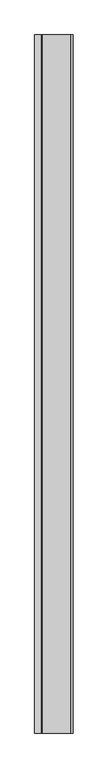
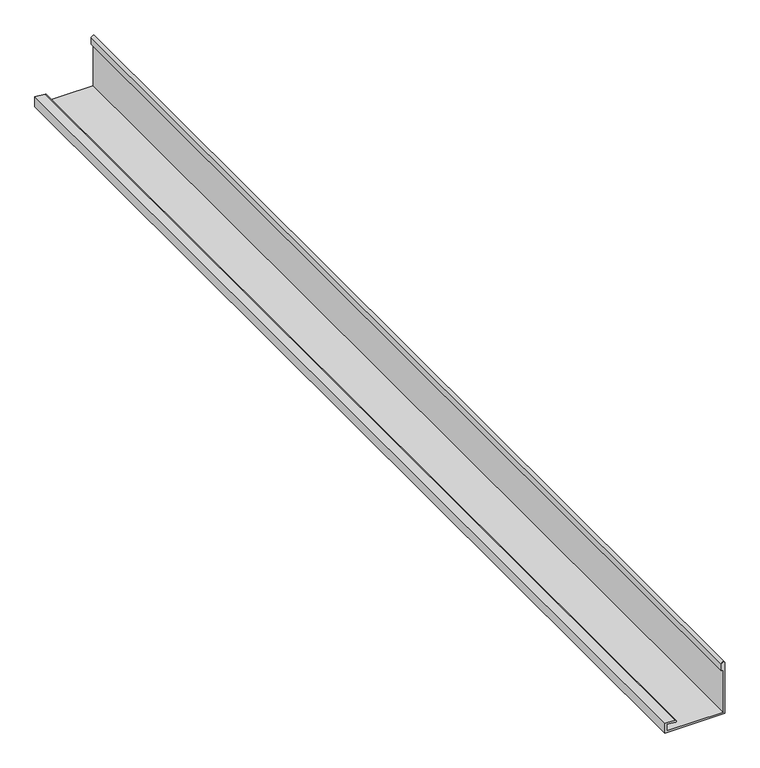
"""IFC4 building model written with IfcOpenShell, lengths in millimetres: proxy geometry."""

from ifc_helpers import new_model, si_unit, point, frame, frame_2d, origin, place, context, project, spatial, polyline, circle_curve, trimmed, segment, composite_curve, outline, extrude, source, transform, mapped, element, save


def generic_models_c106ea6a(model_context):
    return source(origin(), model_context, "Body", "SweptSolid", [
        extrude(outline(composite_curve([segment(polyline([(3799.2452806, -1382.2849404), (3799.2452806, -1212.2849404), (3949.6655464, -1212.2849404)]), True, "CONTINUOUS"), segment(trimmed(circle_curve(frame_2d((3949.6655464, -1217.2849404)), 5.0), [point((3949.6655464, -1212.2849404))], [point((3949.6655464, -1222.2849404))], False, "CARTESIAN"), True, "CONTINUOUS"), segment(polyline([(3949.6655464, -1222.2849404), (3929.6655464, -1222.2849404), (3929.6655464, -1217.2849404), (3804.2452806, -1217.2849404), (3804.2452806, -1377.2849404), (3823.7887381, -1377.2849404), (3821.6496348, -1352.8348782)]), True, "CONTINUOUS"), segment(trimmed(circle_curve(frame_2d((3824.1401216, -1352.6169888)), 2.5), [point((3821.6496348, -1352.8348782))], [point((3826.6306083, -1352.3990995))], False, "CARTESIAN"), True, "CONTINUOUS"), segment(polyline([(3826.6306083, -1352.3990995), (3829.2452806, -1382.2849404), (3799.2452806, -1382.2849404)]), True, "CONTINUOUS")], self_intersect=False)), frame((0.0, -4569.530835, 0.0), z_axis=(0.0, 1.0, 0.0), x_axis=(0.0, 0.0, 1.0)), (0.0, 0.0, 1.0), 3090.0),
    ])


if __name__ == "__main__":
    model = new_model("IFC4")
    model_context = context("Model", 3, world=origin())
    ifc_project = project(units=[si_unit("LENGTHUNIT", "METRE", prefix="MILLI")], contexts=[model_context])
    site = spatial("IfcSite", under=ifc_project)
    building = spatial("IfcBuilding", under=site)
    placement = place(None, origin())
    generic_models_shape = generic_models_c106ea6a(model_context)
    element("IfcBuildingElementProxy", 1, Name="Generic Models", at=placement, inside=building, context=model_context, shape_type="MappedRepresentation", body=[
        mapped(generic_models_shape, transform((0.0, 0.0, 0.0), x_axis=(1.0, 0.0, 0.0), y_axis=(0.0, 1.0, 0.0), z_axis=(0.0, 0.0, 1.0))),
    ])
    save(model, "model.ifc")
